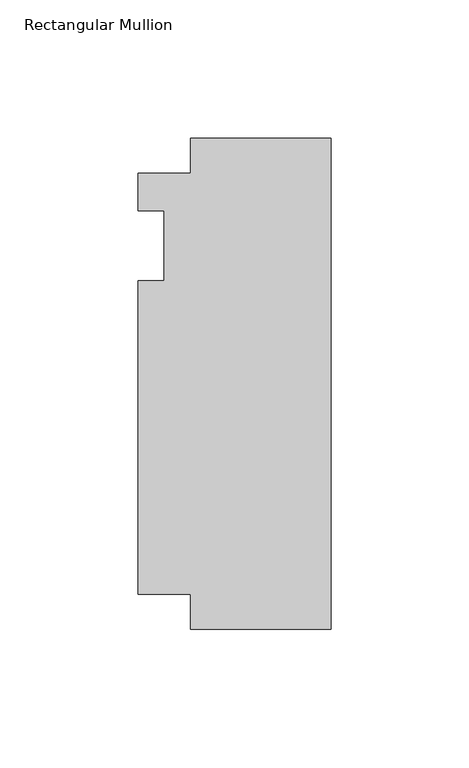
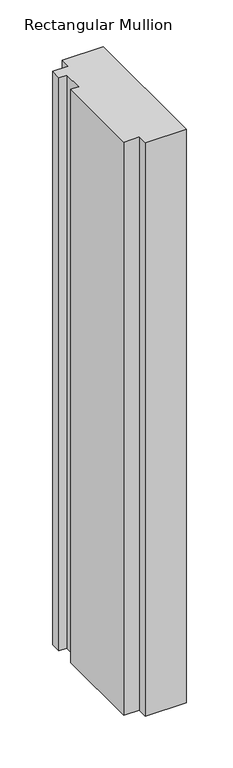
"""IFC4 building model written with IfcOpenShell, lengths in millimetres: member geometry, Rectangular Mullion."""

from ifc_helpers import new_model, si_unit, frame, origin, place, context, project, spatial, polyline, outline, extrude, source, transform, mapped, element, save


def rectangular_mullion_83e3f6e2(model_context):
    return source(origin(), model_context, "Body", "SweptSolid", [
        extrude(outline(polyline([(-69.85, 26.19375), (-50.8, 26.19375), (-50.8, 38.8943162), (0.0, 38.8943162), (0.0, -138.90625), (-50.8, -138.90625), (-50.8, -126.20625), (-69.85, -126.20625), (-69.85, -12.7), (-60.325, -12.7), (-60.325, 12.7), (-69.85, 12.7), (-69.85, 26.19375)])), frame((0.0, 0.0, -749.3), z_axis=(0.0, 0.0, 1.0), x_axis=(1.0, 0.0, 0.0)), (0.0, 0.0, 1.0), 749.3),
    ])


if __name__ == "__main__":
    model = new_model("IFC4")
    model_context = context("Model", 3, world=origin())
    ifc_project = project(units=[si_unit("LENGTHUNIT", "METRE", prefix="MILLI")], contexts=[model_context])
    site = spatial("IfcSite", under=ifc_project)
    building = spatial("IfcBuilding", under=site)
    placement = place(None, origin())
    rectangular_mullion_shape = rectangular_mullion_83e3f6e2(model_context)
    element("IfcMember", 1, ObjectType="Rectangular Mullion", at=placement, inside=building, context=model_context, shape_type="MappedRepresentation", body=[
        mapped(rectangular_mullion_shape, transform((0.0, 0.0, 0.0), x_axis=(1.0, 0.0, 0.0), y_axis=(0.0, 1.0, 0.0), z_axis=(0.0, 0.0, 1.0))),
    ])
    save(model, "model.ifc")
